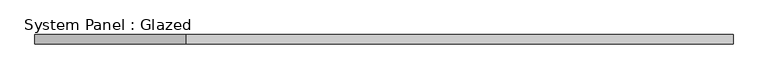
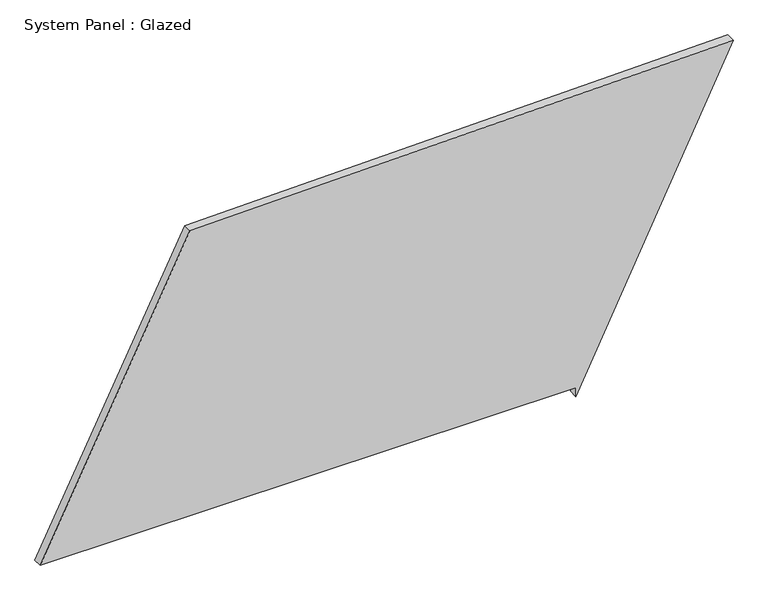
"""IFC4 building model written with IfcOpenShell, lengths in millimetres: plate geometry, System Panel : Glazed."""

from ifc_helpers import new_model, si_unit, frame, origin, place, context, project, spatial, polyline, outline, extrude, source, transform, mapped, element, save


def system_panel_glazed_10dd1964(model_context):
    return source(origin(), model_context, "Body", "SweptSolid", [
        extrude(outline(polyline([(25.0, 519.2848167), (0.0, 519.2848167), (882.7793625, 950.5960421), (851.669895, -540.116171), (25.0, -950.5960421), (25.0, 519.2848167)])), frame((0.0, -49.5, 0.0), z_axis=(0.0, 1.0, 0.0), x_axis=(0.0, 0.0, 1.0)), (0.0, 0.0, 1.0), 25.0),
    ])


if __name__ == "__main__":
    model = new_model("IFC4")
    model_context = context("Model", 3, world=origin())
    ifc_project = project(units=[si_unit("LENGTHUNIT", "METRE", prefix="MILLI")], contexts=[model_context])
    site = spatial("IfcSite", under=ifc_project)
    building = spatial("IfcBuilding", under=site)
    placement = place(None, origin())
    system_panel_glazed_shape = system_panel_glazed_10dd1964(model_context)
    element("IfcPlate", 1, ObjectType="System Panel : Glazed", at=placement, inside=building, context=model_context, shape_type="MappedRepresentation", body=[
        mapped(system_panel_glazed_shape, transform((0.0, 0.0, 0.0), x_axis=(1.0, 0.0, 0.0), y_axis=(0.0, 1.0, 0.0), z_axis=(0.0, 0.0, 1.0))),
    ])
    save(model, "model.ifc")
